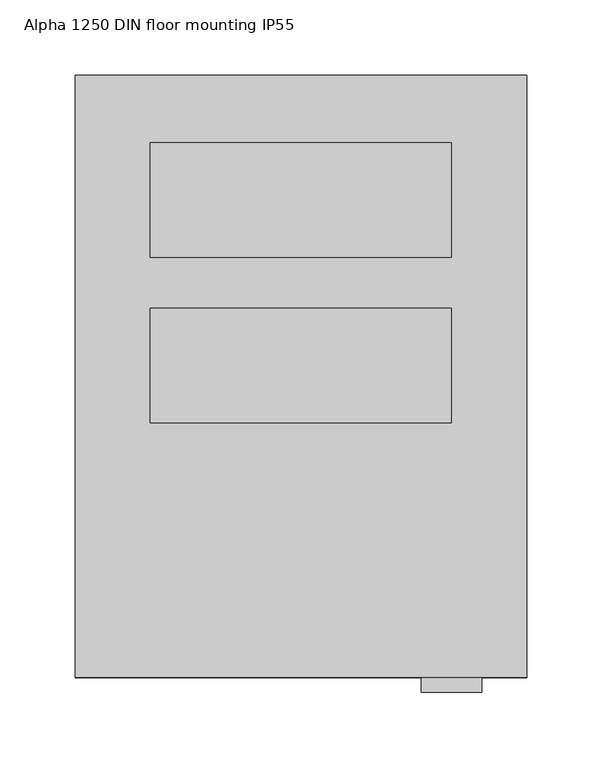
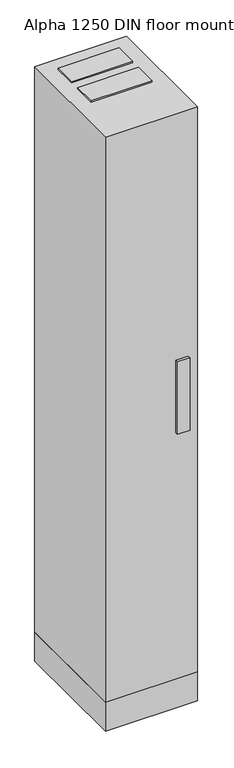
"""IFC4 building model written with IfcOpenShell, lengths in millimetres: proxy geometry, Alpha 1250 DIN floor mounting IP55."""

from ifc_helpers import new_model, si_unit, frame, origin, origin_with_axes, place, context, project, spatial, polyline, outline, extrude, source, transform, mapped, element, save


def alpha_1250_din_floor_mounting_ip55_015b7c9e(model_context):
    return source(origin(), model_context, "Body", "SweptSolid", [
        extrude(outline(polyline([(250.0, -155.0), (250.0, -231.0), (50.0, -231.0), (50.0, -155.0), (250.0, -155.0)])), frame((0.0, 0.0, 2050.0), z_axis=(0.0, 0.0, 1.0), x_axis=(1.0, 0.0, 0.0)), (0.0, 0.0, 1.0), 5.0),
        extrude(outline(polyline([(250.0, -155.0), (250.0, -231.0), (50.0, -231.0), (50.0, -155.0), (250.0, -155.0)])), frame((0.0, 0.0, 95.0), z_axis=(0.0, 0.0, 1.0), x_axis=(1.0, 0.0, 0.0)), (0.0, 0.0, 1.0), 5.0),
        extrude(outline(polyline([(250.0, -45.0), (250.0, -121.0), (50.0, -121.0), (50.0, -45.0), (250.0, -45.0)])), frame((0.0, 0.0, 2050.0), z_axis=(0.0, 0.0, 1.0), x_axis=(1.0, 0.0, 0.0)), (0.0, 0.0, 1.0), 5.0),
        extrude(outline(polyline([(250.0, -45.0), (250.0, -121.0), (50.0, -121.0), (50.0, -45.0), (250.0, -45.0)])), frame((0.0, 0.0, 95.0), z_axis=(0.0, 0.0, 1.0), x_axis=(1.0, 0.0, 0.0)), (0.0, 0.0, 1.0), 5.0),
        extrude(outline(polyline([(270.0, -400.0), (270.0, -410.0), (230.0, -410.0), (230.0, -400.0), (270.0, -400.0)])), frame((0.0, 0.0, 950.0), z_axis=(0.0, 0.0, 1.0), x_axis=(1.0, 0.0, 0.0)), (0.0, 0.0, 1.0), 250.0),
        extrude(outline(polyline([(300.0, 0.0), (300.0, -400.0), (0.0, -400.0), (0.0, 0.0), (300.0, 0.0)])), frame((0.0, 0.0, 100.0), z_axis=(0.0, 0.0, 1.0), x_axis=(1.0, 0.0, 0.0)), (0.0, 0.0, 1.0), 1950.0),
        extrude(outline(polyline([(300.0, 0.0), (300.0, -400.0), (0.0, -400.0), (0.0, 0.0), (300.0, 0.0)])), origin_with_axes(), (0.0, 0.0, 1.0), 100.0),
    ])


if __name__ == "__main__":
    model = new_model("IFC4")
    model_context = context("Model", 3, world=origin())
    ifc_project = project(units=[si_unit("LENGTHUNIT", "METRE", prefix="MILLI")], contexts=[model_context])
    site = spatial("IfcSite", under=ifc_project)
    building = spatial("IfcBuilding", under=site)
    placement = place(None, origin())
    alpha_1250_din_floor_mounting_ip55_shape = alpha_1250_din_floor_mounting_ip55_015b7c9e(model_context)
    element("IfcBuildingElementProxy", 1, Name="Alpha 1250 DIN floor mounting IP55", ObjectType="Alpha 1250 DIN floor mounting IP55", at=placement, inside=building, context=model_context, shape_type="MappedRepresentation", body=[
        mapped(alpha_1250_din_floor_mounting_ip55_shape, transform((0.0, 0.0, 0.0), x_axis=(1.0, 0.0, 0.0), y_axis=(0.0, 1.0, 0.0), z_axis=(0.0, 0.0, 1.0))),
    ])
    save(model, "model.ifc")
